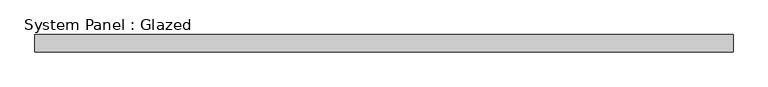
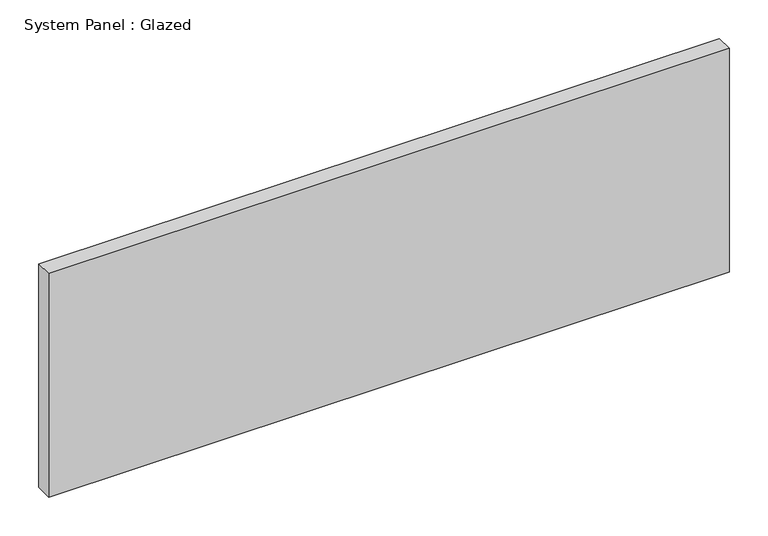
"""IFC4 building model written with IfcOpenShell, lengths in millimetres: plate geometry, System Panel : Glazed."""

from ifc_helpers import new_model, si_unit, origin, origin_with_axes, place, context, project, spatial, polyline, outline, extrude, source, transform, mapped, element, save


def system_panel_glazed_b2dd2769(model_context):
    return source(origin(), model_context, "Body", "SweptSolid", [
        extrude(outline(polyline([(508.0, -44.45), (-508.0, -44.45), (-508.0, -19.05), (508.0, -19.05), (508.0, -44.45)])), origin_with_axes(), (0.0, 0.0, 1.0), 352.8785714),
    ])


if __name__ == "__main__":
    model = new_model("IFC4")
    model_context = context("Model", 3, world=origin())
    ifc_project = project(units=[si_unit("LENGTHUNIT", "METRE", prefix="MILLI")], contexts=[model_context])
    site = spatial("IfcSite", under=ifc_project)
    building = spatial("IfcBuilding", under=site)
    placement = place(None, origin())
    system_panel_glazed_shape = system_panel_glazed_b2dd2769(model_context)
    element("IfcPlate", 1, ObjectType="System Panel : Glazed", at=placement, inside=building, context=model_context, shape_type="MappedRepresentation", body=[
        mapped(system_panel_glazed_shape, transform((0.0, 0.0, 0.0), x_axis=(1.0, 0.0, 0.0), y_axis=(0.0, 1.0, 0.0), z_axis=(0.0, 0.0, 1.0))),
    ])
    save(model, "model.ifc")
